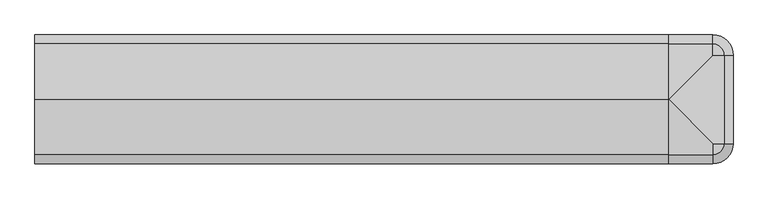
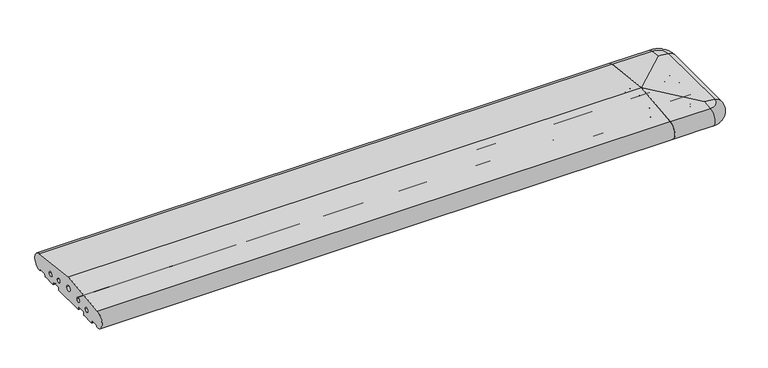
"""IFC4 building model written with IfcOpenShell, lengths in millimetres: proxy geometry."""

from ifc_helpers import new_model, si_unit, point, frame, frame_2d, origin, place, context, project, spatial, polyline, circle_curve, ellipse_curve, trimmed, segment, composite_curve, outline, extrude, source, transform, mapped, element, save
from ifc_brep_helpers import plane_surface, cylinder_surface, revolved_surface, advanced_brep


def generic_models_292004d3(model_context):
    return source(origin(), model_context, "Body", "SolidModel", [
        advanced_brep(
        [(1685.0, 28.0858073, 50.4091909), (1713.0858073, 0.0, 50.4091909), (1711.5981483, 0.0, 2.5074549), (1685.0, 26.5981483, 2.5074549), (1710.7072001, 0.0, 3.0071443), (1685.0, 25.7072001, 3.0071443), (1708.6905989, 0.0, 6.5), (1685.0, 23.6905989, 6.5), (1706.9585481, 0.0, 7.5), (1685.0, 21.9585481, 7.5), (1706.9585481, -220.0, 7.5), (1685.0, -241.9585481, 7.5), (1575.0, -241.9585481, 7.5), (1575.0, -225.4848276, 7.5), (1685.0, -225.4848276, 7.5), (1690.4848276, -220.0, 7.5), (1690.4848276, 0.0, 7.5), (1685.0, 5.4848276, 7.5), (1575.0, 5.4848276, 7.5), (1575.0, 21.9585481, 7.5), (1688.7527767, 0.0, 6.5), (1685.0, 3.7527767, 6.5), (1685.0, 0.0, 0.0), (1685.0, 0.0, 53.7462575), (1575.0, 25.7072001, 3.0071443), (1575.0, 26.5981483, 2.5074549), (1575.0, 23.6905989, 6.5), (1575.0, 3.7527767, 6.5), (1575.0, 0.0, 0.0), (1575.0, 28.0858073, 50.4091909), (1575.0, -35.5, 0.0), (1575.0, -36.5, 1.0), (1575.0, -36.5, 7.0), (1575.0, -38.5, 9.0), (1575.0, -61.5, 9.0), (1575.0, -63.5, 7.0), (1575.0, -63.5, 1.0), (1575.0, -64.5, 0.0), (1575.0, -155.5, 0.0), (1575.0, -156.5, 1.0), (1575.0, -156.5, 7.0), (1575.0, -158.5, 9.0), (1575.0, -181.5, 9.0), (1575.0, -183.5, 7.0), (1575.0, -183.5, 1.0), (1575.0, -184.5, 0.0), (1575.0, -220.0, 0.0), (1575.0, -223.7527767, 6.5), (1575.0, -243.6905989, 6.5), (1575.0, -245.7072001, 3.0071443), (1575.0, -246.5981483, 2.5074549), (1575.0, -248.0858073, 50.4091909), (1575.0, -110.0, 66.8161089), (1575.0, -202.220606, 23.1932995), (1575.0, -190.220606, 23.1932995), (1575.0, -162.5, 27.912776), (1575.0, -150.5, 27.912776), (1575.0, -117.9558517, 33.3783502), (1575.0, -102.0441483, 33.3783502), (1575.0, -69.5, 27.912776), (1575.0, -57.5, 27.912776), (1575.0, -29.779394, 23.1932995), (1575.0, -17.779394, 23.1932995), (1685.0, -35.5, 0.0), (1685.0, -36.5, 1.0), (1685.0, -36.5, 7.0), (1685.0, -38.5, 9.0), (1685.0, -61.5, 9.0), (1685.0, -63.5, 7.0), (1685.0, -63.5, 1.0), (1685.0, -64.5, 0.0), (1685.0, -155.5, 0.0), (1685.0, -156.5, 1.0), (1685.0, -156.5, 7.0), (1685.0, -158.5, 9.0), (1685.0, -181.5, 9.0), (1685.0, -183.5, 7.0), (1685.0, -183.5, 1.0), (1685.0, -184.5, 0.0), (1685.0, -220.0, 0.0), (1685.0, -220.0, 53.7462575), (1685.0, -248.0858073, 50.4091909), (1685.0, -202.220606, 23.1932995), (1685.0, -190.220606, 23.1932995), (1685.0, -162.5, 27.912776), (1685.0, -150.5, 27.912776), (1685.0, -117.9558517, 33.3783502), (1685.0, -102.0441483, 33.3783502), (1685.0, -69.5, 27.912776), (1685.0, -57.5, 27.912776), (1685.0, -29.779394, 23.1932995), (1685.0, -17.779394, 23.1932995), (1713.0858073, -220.0, 50.4091909), (1685.0, -245.7072001, 3.0071443), (1685.0, -246.5981483, 2.5074549), (1685.0, -243.6905989, 6.5), (1685.0, -223.7527767, 6.5), (1711.5981483, -220.0, 2.5074549), (1710.7072001, -220.0, 3.0071443), (1708.6905989, -220.0, 6.5), (1688.7527767, -220.0, 6.5)],
        [
            (0, 1, circle_curve(frame((1685.0, 0.0, 50.4091909), z_axis=(0.0, 0.0, -1.0), x_axis=(1.0, 0.0, 0.0)), 28.0858073)),
            (1, 2, circle_curve(frame((1711.0, 0.0, 26.5), z_axis=(0.0, 1.0, 0.0), x_axis=(0.08690863944627836, 0.0, 0.9962162859487877)), 24.0)),
            (2, 3, circle_curve(frame((1685.0, 0.0, 2.5074549), z_axis=(0.0, 0.0, 1.0), x_axis=(1.0, 0.0, 0.0)), 26.5981483)),
            (3, 0, circle_curve(frame((1685.0, 26.0, 26.5), z_axis=(1.0, 0.0, 0.0), x_axis=(0.0, 0.08690863944627836, 0.9962162859487877)), 24.0)),
            (2, 4, circle_curve(frame((1711.5732255, 0.0, 3.5071443), z_axis=(0.0, 1.0000000000000002, 0.0), x_axis=(0.024922847684081085, 0.0, -0.999689377588517)), 1.0)),
            (4, 5, circle_curve(frame((1685.0, 0.0, 3.0071443), z_axis=(0.0, 0.0, 1.0), x_axis=(1.0, 0.0, 0.0)), 25.7072001)),
            (5, 3, circle_curve(frame((1685.0, 26.5732255, 3.5071443), z_axis=(1.0000000000000002, 0.0, 0.0), x_axis=(0.0, 0.024922847684081085, -0.999689377588517)), 1.0)),
            (4, 6),
            (6, 7, circle_curve(frame((1685.0, 0.0, 6.5), z_axis=(0.0, 0.0, 1.0), x_axis=(1.0, 0.0, 0.0)), 23.6905989)),
            (7, 5),
            (6, 8, circle_curve(frame((1706.9585481, 0.0, 5.5), z_axis=(0.0, -1.0, 0.0), x_axis=(0.8660254037844379, 0.0, 0.5000000000000012)), 2.0)),
            (8, 9, circle_curve(frame((1685.0, 0.0, 7.5), z_axis=(0.0, 0.0, 1.0), x_axis=(1.0, 0.0, 0.0)), 21.9585481)),
            (9, 7, circle_curve(frame((1685.0, 21.9585481, 5.5), z_axis=(-1.0, 0.0, 0.0), x_axis=(0.0, 0.8660254037844379, 0.5000000000000012)), 2.0)),
            (8, 10),
            (10, 11, circle_curve(frame((1685.0, -220.0, 7.5), z_axis=(0.0, 0.0, -1.0), x_axis=(1.0, 0.0, 0.0)), 21.9585481)),
            (11, 12),
            (12, 13),
            (13, 14),
            (14, 15, circle_curve(frame((1685.0, -220.0, 7.5), z_axis=(0.0, 0.0, 1.0), x_axis=(1.0, 0.0, 0.0)), 5.4848276)),
            (15, 16),
            (16, 17, circle_curve(frame((1685.0, 0.0, 7.5), z_axis=(0.0, 0.0, 1.0), x_axis=(1.0, 0.0, 0.0)), 5.4848276)),
            (17, 18),
            (18, 19),
            (19, 9),
            (16, 20, circle_curve(frame((1690.4848276, 0.0, 5.5), z_axis=(0.0, -1.0, 0.0), x_axis=(0.0, 0.0, 1.0)), 2.0)),
            (20, 21, circle_curve(frame((1685.0, 0.0, 6.5), z_axis=(0.0, 0.0, 1.0), x_axis=(1.0, 0.0, 0.0)), 3.7527767)),
            (21, 17, circle_curve(frame((1685.0, 5.4848276, 5.5), z_axis=(-1.0, 0.0, 0.0), x_axis=(0.0, 0.0, 1.0)), 2.0)),
            (20, 22),
            (22, 21),
            (0, 23),
            (23, 1),
            (24, 25, circle_curve(frame((1575.0, 26.5732255, 3.5071443), z_axis=(1.0, 0.0, 0.0), x_axis=(0.0, 0.024922847684081085, -0.999689377588517)), 1.0)),
            (25, 3),
            (5, 24),
            (26, 24),
            (7, 26),
            (19, 26, circle_curve(frame((1575.0, 21.9585481, 5.5), z_axis=(-1.0, 0.0, 0.0), x_axis=(0.0, 0.8660254037844379, 0.5000000000000012)), 2.0)),
            (27, 18, circle_curve(frame((1575.0, 5.4848276, 5.5), z_axis=(-1.0, 0.0, 0.0), x_axis=(0.0, 0.0, 1.0)), 2.0)),
            (21, 27),
            (28, 27),
            (22, 28),
            (25, 29, circle_curve(frame((1575.0, 26.0, 26.5), z_axis=(1.0, 0.0, 0.0), x_axis=(0.0, 0.08690863944627836, 0.9962162859487877)), 24.0)),
            (29, 0),
            (30, 31, circle_curve(frame((1575.0, -35.5, 1.0), z_axis=(-1.0, 0.0, 0.0), x_axis=(0.0, 0.0, -1.0)), 1.0)),
            (31, 32),
            (32, 33, circle_curve(frame((1575.0, -38.5, 7.0), z_axis=(1.0, 0.0, 0.0), x_axis=(0.0, 1.0, 0.0)), 2.0)),
            (33, 34),
            (34, 35, circle_curve(frame((1575.0, -61.5, 7.0), z_axis=(1.0, 0.0, 0.0), x_axis=(0.0, 0.0, 1.0)), 2.0)),
            (35, 36),
            (36, 37, circle_curve(frame((1575.0, -64.5, 1.0), z_axis=(-1.0, 0.0, 0.0), x_axis=(0.0, 1.0, 0.0)), 1.0)),
            (37, 38),
            (38, 39, circle_curve(frame((1575.0, -155.5, 1.0), z_axis=(-1.0, 0.0, 0.0), x_axis=(0.0, -1.0, 0.0)), 1.0)),
            (39, 40),
            (40, 41, circle_curve(frame((1575.0, -158.5, 7.0), z_axis=(1.0, 0.0, 0.0), x_axis=(0.0, 0.0, 1.0)), 2.0)),
            (41, 42),
            (42, 43, circle_curve(frame((1575.0, -181.5, 7.0), z_axis=(1.0, 0.0, 0.0), x_axis=(0.0, -1.0, 0.0)), 2.0)),
            (43, 44),
            (44, 45, circle_curve(frame((1575.0, -184.5, 1.0), z_axis=(-1.0, 0.0, 0.0), x_axis=(0.0, 0.0, -1.0)), 1.0)),
            (45, 46),
            (46, 47),
            (47, 13, circle_curve(frame((1575.0, -225.4848276, 5.5), z_axis=(1.0, 0.0, 0.0), x_axis=(0.0, 0.0, 1.0)), 2.0)),
            (12, 48, circle_curve(frame((1575.0, -241.9585481, 5.5), z_axis=(1.0, 0.0, 0.0), x_axis=(0.0, -0.8660254037844379, 0.5000000000000012)), 2.0)),
            (48, 49),
            (49, 50, circle_curve(frame((1575.0, -246.5732255, 3.5071443), z_axis=(-1.0, 0.0, 0.0), x_axis=(0.0, -0.024922847684081085, -0.999689377588517)), 1.0)),
            (50, 51, circle_curve(frame((1575.0, -246.0, 26.5), z_axis=(-1.0, 0.0, 0.0), x_axis=(0.0, -0.08690863944627836, 0.9962162859487877)), 24.0)),
            (51, 52),
            (52, 29),
            (28, 30),
            (53, 54, circle_curve(frame((1575.0, -196.220606, 23.1932995), z_axis=(1.0, 0.0, 0.0), x_axis=(0.0, 1.0, 0.0)), 6.0)),
            (54, 53, circle_curve(frame((1575.0, -196.220606, 23.1932995), z_axis=(1.0, 0.0, 0.0), x_axis=(0.0, 1.0, 0.0)), 6.0)),
            (55, 56, circle_curve(frame((1575.0, -156.5, 27.912776), z_axis=(1.0, 0.0, 0.0), x_axis=(0.0, 1.0, 0.0)), 6.0)),
            (56, 55, circle_curve(frame((1575.0, -156.5, 27.912776), z_axis=(1.0, 0.0, 0.0), x_axis=(0.0, 1.0, 0.0)), 6.0)),
            (57, 58, circle_curve(frame((1575.0, -110.0, 33.3783502), z_axis=(1.0, 0.0, 0.0), x_axis=(0.0, 1.0, 0.0)), 7.9558517)),
            (58, 57, circle_curve(frame((1575.0, -110.0, 33.3783502), z_axis=(1.0, 0.0, 0.0), x_axis=(0.0, 1.0, 0.0)), 7.9558517)),
            (59, 60, circle_curve(frame((1575.0, -63.5, 27.912776), z_axis=(1.0, 0.0, 0.0), x_axis=(0.0, 1.0, 0.0)), 6.0)),
            (60, 59, circle_curve(frame((1575.0, -63.5, 27.912776), z_axis=(1.0, 0.0, 0.0), x_axis=(0.0, 1.0, 0.0)), 6.0)),
            (61, 62, circle_curve(frame((1575.0, -23.779394, 23.1932995), z_axis=(1.0, 0.0, 0.0), x_axis=(0.0, 1.0, 0.0)), 6.0)),
            (62, 61, circle_curve(frame((1575.0, -23.779394, 23.1932995), z_axis=(1.0, 0.0, 0.0), x_axis=(0.0, 1.0, 0.0)), 6.0)),
            (30, 63),
            (63, 64, circle_curve(frame((1685.0, -35.5, 1.0), z_axis=(-1.0, 0.0, 0.0), x_axis=(0.0, 0.0, -1.0)), 1.0)),
            (64, 31),
            (64, 65),
            (65, 32),
            (65, 66, circle_curve(frame((1685.0, -38.5, 7.0), z_axis=(1.0, 0.0, 0.0), x_axis=(0.0, 1.0, 0.0)), 2.0)),
            (66, 33),
            (66, 67),
            (67, 34),
            (67, 68, circle_curve(frame((1685.0, -61.5, 7.0), z_axis=(1.0, 0.0, 0.0), x_axis=(0.0, 0.0, 1.0)), 2.0)),
            (68, 35),
            (68, 69),
            (69, 36),
            (69, 70, circle_curve(frame((1685.0, -64.5, 1.0), z_axis=(-1.0, 0.0, 0.0), x_axis=(0.0, 1.0, 0.0)), 1.0)),
            (70, 37),
            (70, 71),
            (71, 38),
            (71, 72, circle_curve(frame((1685.0, -155.5, 1.0), z_axis=(-1.0, 0.0, 0.0), x_axis=(0.0, -1.0, 0.0)), 1.0)),
            (72, 39),
            (72, 73),
            (73, 40),
            (73, 74, circle_curve(frame((1685.0, -158.5, 7.0), z_axis=(1.0, 0.0, 0.0), x_axis=(0.0, 0.0, 1.0)), 2.0)),
            (74, 41),
            (74, 75),
            (75, 42),
            (75, 76, circle_curve(frame((1685.0, -181.5, 7.0), z_axis=(1.0, 0.0, 0.0), x_axis=(0.0, -1.0, 0.0)), 2.0)),
            (76, 43),
            (76, 77),
            (77, 44),
            (77, 78, circle_curve(frame((1685.0, -184.5, 1.0), z_axis=(-1.0, 0.0, 0.0), x_axis=(0.0, 0.0, -1.0)), 1.0)),
            (78, 45),
            (78, 79),
            (79, 46),
            (80, 52),
            (51, 81),
            (81, 80),
            (52, 23),
            (22, 63),
            (53, 82),
            (82, 83, circle_curve(frame((1685.0, -196.220606, 23.1932995), z_axis=(1.0, 0.0, 0.0), x_axis=(0.0, 1.0, 0.0)), 6.0)),
            (83, 54),
            (83, 82, circle_curve(frame((1685.0, -196.220606, 23.1932995), z_axis=(1.0, 0.0, 0.0), x_axis=(0.0, 1.0, 0.0)), 6.0)),
            (55, 84),
            (84, 85, circle_curve(frame((1685.0, -156.5, 27.912776), z_axis=(1.0, 0.0, 0.0), x_axis=(0.0, 1.0, 0.0)), 6.0)),
            (85, 56),
            (85, 84, circle_curve(frame((1685.0, -156.5, 27.912776), z_axis=(1.0, 0.0, 0.0), x_axis=(0.0, 1.0, 0.0)), 6.0)),
            (57, 86),
            (86, 87, circle_curve(frame((1685.0, -110.0, 33.3783502), z_axis=(1.0, 0.0, 0.0), x_axis=(0.0, 1.0, 0.0)), 7.9558517)),
            (87, 58),
            (87, 86, circle_curve(frame((1685.0, -110.0, 33.3783502), z_axis=(1.0, 0.0, 0.0), x_axis=(0.0, 1.0, 0.0)), 7.9558517)),
            (59, 88),
            (88, 89, circle_curve(frame((1685.0, -63.5, 27.912776), z_axis=(1.0, 0.0, 0.0), x_axis=(0.0, 1.0, 0.0)), 6.0)),
            (89, 60),
            (89, 88, circle_curve(frame((1685.0, -63.5, 27.912776), z_axis=(1.0, 0.0, 0.0), x_axis=(0.0, 1.0, 0.0)), 6.0)),
            (61, 90),
            (90, 91, circle_curve(frame((1685.0, -23.779394, 23.1932995), z_axis=(1.0, 0.0, 0.0), x_axis=(0.0, 1.0, 0.0)), 6.0)),
            (91, 62),
            (91, 90, circle_curve(frame((1685.0, -23.779394, 23.1932995), z_axis=(1.0, 0.0, 0.0), x_axis=(0.0, 1.0, 0.0)), 6.0)),
            (80, 92),
            (92, 1),
            (49, 93),
            (93, 94, circle_curve(frame((1685.0, -246.5732255, 3.5071443), z_axis=(-1.0, 0.0, 0.0), x_axis=(0.0, -0.024922847684081085, -0.999689377588517)), 1.0)),
            (94, 50),
            (48, 95),
            (95, 93),
            (11, 95, circle_curve(frame((1685.0, -241.9585481, 5.5), z_axis=(1.0, 0.0, 0.0), x_axis=(0.0, -0.8660254037844379, 0.5000000000000012)), 2.0)),
            (47, 96),
            (96, 14, circle_curve(frame((1685.0, -225.4848276, 5.5), z_axis=(1.0, 0.0, 0.0), x_axis=(0.0, 0.0, 1.0)), 2.0)),
            (79, 96),
            (94, 81, circle_curve(frame((1685.0, -246.0, 26.5), z_axis=(-1.0, 0.0, 0.0), x_axis=(0.0, -0.08690863944627836, 0.9962162859487877)), 24.0)),
            (2, 97),
            (97, 98, circle_curve(frame((1711.5732255, -220.0, 3.5071443), z_axis=(0.0, 1.0, 0.0), x_axis=(0.024922847684081085, 0.0, -0.999689377588517)), 1.0)),
            (98, 4),
            (98, 99),
            (99, 6),
            (99, 10, circle_curve(frame((1706.9585481, -220.0, 5.5), z_axis=(0.0, -1.0, 0.0), x_axis=(0.8660254037844379, 0.0, 0.5000000000000012)), 2.0)),
            (15, 100, circle_curve(frame((1690.4848276, -220.0, 5.5), z_axis=(0.0, -1.0, 0.0), x_axis=(0.0, 0.0, 1.0)), 2.0)),
            (100, 20),
            (100, 79),
            (78, 71),
            (70, 63),
            (92, 97, circle_curve(frame((1711.0, -220.0, 26.5), z_axis=(0.0, 1.0, 0.0), x_axis=(0.08690863944627836, 0.0, 0.9962162859487877)), 24.0)),
            (100, 96, circle_curve(frame((1685.0, -220.0, 6.5), z_axis=(0.0, 0.0, -1.0), x_axis=(1.0, 0.0, 0.0)), 3.7527767)),
            (99, 95, circle_curve(frame((1685.0, -220.0, 6.5), z_axis=(0.0, 0.0, -1.0), x_axis=(1.0, 0.0, 0.0)), 23.6905989)),
            (98, 93, circle_curve(frame((1685.0, -220.0, 3.0071443), z_axis=(0.0, 0.0, -1.0), x_axis=(1.0, 0.0, 0.0)), 25.7072001)),
            (97, 94, circle_curve(frame((1685.0, -220.0, 2.5074549), z_axis=(0.0, 0.0, -1.0), x_axis=(1.0, 0.0, 0.0)), 26.5981483)),
            (92, 81, circle_curve(frame((1685.0, -220.0, 50.4091909), z_axis=(0.0, 0.0, -1.0), x_axis=(1.0, 0.0, 0.0)), 28.0858073)),
        ],
        [
            revolved_surface(trimmed(ellipse_curve(frame((1711.0, 0.0, 26.5), z_axis=(0.0, 1.0, 0.0), x_axis=(0.08690863944627836, 0.0, 0.9962162859487877)), 24.0, 24.0), [point((1713.0858073, 0.0, 50.4091909))], [point((1711.5981483, 0.0, 2.5074549))], True, "CARTESIAN"), (1685.0, 0.0, 53.7462575), (0.0, 0.0, -1.0)),
            revolved_surface(trimmed(ellipse_curve(frame((1711.5732255, 0.0, 3.5071443), z_axis=(0.0, 1.0000000000000002, 0.0), x_axis=(0.024922847684081085, 0.0, -0.999689377588517)), 1.0, 1.0), [point((1711.5981483, 0.0, 2.5074549))], [point((1710.7072001, 0.0, 3.0071443))], True, "CARTESIAN"), (1685.0, 0.0, 53.7462575), (0.0, 0.0, -1.0)),
            revolved_surface(polyline([(1710.7072001, 0.0, 3.0071443), (1708.6905989, 0.0, 6.5)]), (1685.0, 0.0, 53.7462575), (0.0, 0.0, -1.0)),
            revolved_surface(trimmed(ellipse_curve(frame((1706.9585481, 0.0, 5.5), z_axis=(0.0, -1.0, 0.0), x_axis=(0.8660254037844379, 0.0, 0.5000000000000012)), 2.0, 2.0), [point((1708.6905989, 0.0, 6.5))], [point((1706.9585481, 0.0, 7.5))], True, "CARTESIAN"), (1685.0, 0.0, 53.7462575), (0.0, 0.0, -1.0)),
            plane_surface(frame((1685.0, 0.0, 7.5), z_axis=(0.0, 0.0, -1.0), x_axis=(1.0, 0.0, 0.0))),
            revolved_surface(trimmed(ellipse_curve(frame((1690.4848276, 0.0, 5.5), z_axis=(0.0, -1.0, 0.0), x_axis=(0.0, 0.0, 1.0)), 2.0, 2.0), [point((1690.4848276, 0.0, 7.5))], [point((1688.7527767, 0.0, 6.5))], True, "CARTESIAN"), (1685.0, 0.0, 53.7462575), (0.0, 0.0, -1.0)),
            revolved_surface(polyline([(1688.7527767, 0.0, 6.5), (1685.0, 0.0, 0.0)]), (1685.0, 0.0, 53.7462575), (0.0, 0.0, -1.0)),
            revolved_surface(polyline([(1685.0, 0.0, 53.7462575), (1713.0858073, 0.0, 50.4091909)]), (1685.0, 0.0, 53.7462575), (0.0, 0.0, -1.0)),
            cylinder_surface(frame((1575.0, 26.5732255, 3.5071443), z_axis=(-1.0000000000000002, 0.0, 0.0), x_axis=(0.0, 0.024922847684081085, -0.999689377588517)), 1.0),
            plane_surface(frame((1575.0, 25.7072001, 3.0071443), z_axis=(0.0, -0.8660254037844368, -0.5000000000000032), x_axis=(1.0, 0.0, 0.0))),
            revolved_surface(polyline([(1685.0, 23.690598907568877, 6.500000000000003), (1575.0, 23.690598907568877, 6.500000000000003)]), (1575.0, 21.9585481, 5.5), (1.0, 0.0, 0.0)),
            revolved_surface(polyline([(1685.0, 5.4848276, 7.5), (1575.0, 5.4848276, 7.5)]), (1575.0, 5.4848276, 5.5), (1.0, 0.0, 0.0)),
            plane_surface(frame((1575.0, 3.7527767, 6.5), z_axis=(0.0, 0.8660254037844349, -0.5000000000000064), x_axis=(1.0, 0.0, 0.0))),
            cylinder_surface(frame((1575.0, 26.0, 26.5), z_axis=(-1.0, 0.0, 0.0), x_axis=(0.0, 0.08690863944627836, 0.9962162859487877)), 24.0),
            plane_surface(frame((1575.0, 0.0, 0.0), z_axis=(-1.0, 0.0, 0.0), x_axis=(0.0, 0.0, 1.0))),
            cylinder_surface(frame((1575.0, -35.5, 1.0), z_axis=(-1.0, 0.0, 0.0), x_axis=(0.0, 0.0, -1.0)), 1.0),
            plane_surface(frame((1575.0, -36.5, 1.0), z_axis=(0.0, -1.0, 0.0), x_axis=(1.0, 0.0, 0.0))),
            revolved_surface(polyline([(1685.0, -36.5, 7.0), (1575.0, -36.5, 7.0)]), (1575.0, -38.5, 7.0), (1.0, 0.0, 0.0)),
            plane_surface(frame((1575.0, -38.5, 9.0), z_axis=(0.0, 0.0, -1.0), x_axis=(1.0, 0.0, 0.0))),
            revolved_surface(polyline([(1685.0, -61.5, 9.0), (1575.0, -61.5, 9.0)]), (1575.0, -61.5, 7.0), (1.0, 0.0, 0.0)),
            plane_surface(frame((1575.0, -63.5, 7.0), z_axis=(0.0, 1.0, 0.0), x_axis=(1.0, 0.0, 0.0))),
            cylinder_surface(frame((1575.0, -64.5, 1.0), z_axis=(-1.0, 0.0, 0.0), x_axis=(0.0, 1.0, 0.0)), 1.0),
            plane_surface(frame((1575.0, -64.5, 0.0), z_axis=(0.0, 0.0, -1.0), x_axis=(1.0, 0.0, 0.0))),
            cylinder_surface(frame((1575.0, -155.5, 1.0), z_axis=(-1.0, 0.0, 0.0), x_axis=(0.0, -1.0, 0.0)), 1.0),
            plane_surface(frame((1575.0, -156.5, 1.0), z_axis=(0.0, -1.0, 0.0), x_axis=(1.0, 0.0, 0.0))),
            revolved_surface(polyline([(1685.0, -158.5, 9.0), (1575.0, -158.5, 9.0)]), (1575.0, -158.5, 7.0), (1.0, 0.0, 0.0)),
            plane_surface(frame((1575.0, -158.5, 9.0), z_axis=(0.0, 0.0, -1.0), x_axis=(1.0, 0.0, 0.0))),
            revolved_surface(polyline([(1685.0, -183.5, 7.0), (1575.0, -183.5, 7.0)]), (1575.0, -181.5, 7.0), (1.0, 0.0, 0.0)),
            plane_surface(frame((1575.0, -183.5, 7.0), z_axis=(0.0, 1.0, 0.0), x_axis=(1.0, 0.0, 0.0))),
            cylinder_surface(frame((1575.0, -184.5, 1.0), z_axis=(-1.0, 0.0, 0.0), x_axis=(0.0, 0.0, -1.0)), 1.0),
            plane_surface(frame((1575.0, -184.5, 0.0), z_axis=(0.0, 0.0, -1.0), x_axis=(1.0, 0.0, 0.0))),
            plane_surface(frame((1575.0, -220.0, 53.7462575), z_axis=(0.0, -0.11798691299107526, 0.9930151501174777), x_axis=(1.0, 0.0, 0.0))),
            plane_surface(frame((1575.0, -110.0, 66.8161089), z_axis=(0.0, 0.11798691299107526, 0.9930151501174777), x_axis=(1.0, 0.0, 0.0))),
            plane_surface(frame((1575.0, 0.0, 0.0), z_axis=(0.0, 0.0, -1.0), x_axis=(1.0, 0.0, 0.0))),
            revolved_surface(polyline([(1685.0, -190.220606, 23.1932995), (1575.0, -190.220606, 23.1932995)]), (1575.0, -196.220606, 23.1932995), (1.0, 0.0, 0.0)),
            revolved_surface(polyline([(1685.0, -150.5, 27.912776), (1575.0, -150.5, 27.912776)]), (1575.0, -156.5, 27.912776), (1.0, 0.0, 0.0)),
            revolved_surface(polyline([(1685.0, -102.0441483, 33.3783502), (1575.0, -102.0441483, 33.3783502)]), (1575.0, -110.0, 33.3783502), (1.0, 0.0, 0.0)),
            revolved_surface(polyline([(1685.0, -57.5, 27.912776), (1575.0, -57.5, 27.912776)]), (1575.0, -63.5, 27.912776), (1.0, 0.0, 0.0)),
            revolved_surface(polyline([(1685.0, -17.779394, 23.1932995), (1575.0, -17.779394, 23.1932995)]), (1575.0, -23.779394, 23.1932995), (1.0, 0.0, 0.0)),
            plane_surface(frame((1575.0, -250.0, 66.8161089), z_axis=(0.11798691299108029, 0.0, 0.993015150117477), x_axis=(0.0, 1.0, 0.0))),
            cylinder_surface(frame((1575.0, -246.5732255, 3.5071443), z_axis=(-1.0000000000000002, 0.0, 0.0), x_axis=(0.0, -0.024922847684081085, -0.999689377588517)), 1.0),
            plane_surface(frame((1575.0, -243.6905989, 6.5), z_axis=(0.0, 0.8660254037844368, -0.5000000000000032), x_axis=(1.0, 0.0, 0.0))),
            revolved_surface(polyline([(1685.0, -243.69059890756887, 6.500000000000003), (1575.0, -243.69059890756887, 6.500000000000003)]), (1575.0, -241.9585481, 5.5), (1.0, 0.0, 0.0)),
            revolved_surface(polyline([(1685.0, -225.4848276, 7.5), (1575.0, -225.4848276, 7.5)]), (1575.0, -225.4848276, 5.5), (1.0, 0.0, 0.0)),
            plane_surface(frame((1575.0, -220.0, 0.0), z_axis=(0.0, -0.8660254037844349, -0.5000000000000064), x_axis=(1.0, 0.0, 0.0))),
            cylinder_surface(frame((1575.0, -246.0, 26.5), z_axis=(-1.0, 0.0, 0.0), x_axis=(0.0, -0.08690863944627836, 0.9962162859487877)), 24.0),
            cylinder_surface(frame((1711.5732255, 0.0, 3.5071443), z_axis=(0.0, 1.0000000000000002, 0.0), x_axis=(0.024922847684081085, 0.0, -0.999689377588517)), 1.0),
            plane_surface(frame((1710.7072001, 0.0, 3.0071443), z_axis=(-0.8660254037844368, 0.0, -0.5000000000000032), x_axis=(0.0, -1.0, 0.0))),
            revolved_surface(polyline([(1708.6905989075688, -220.0, 6.500000000000003), (1708.6905989075688, 0.0, 6.500000000000003)]), (1706.9585481, 0.0, 5.5), (0.0, -1.0, 0.0)),
            revolved_surface(polyline([(1690.4848276, -220.0, 7.5), (1690.4848276, 0.0, 7.5)]), (1690.4848276, 0.0, 5.5), (0.0, -1.0, 0.0)),
            plane_surface(frame((1688.7527767, 0.0, 6.5), z_axis=(0.8660254037844349, 0.0, -0.5000000000000064), x_axis=(0.0, -1.0, 0.0))),
            plane_surface(frame((1685.0, 0.0, 0.0), z_axis=(-1.0, 0.0, 0.0), x_axis=(0.0, -1.0, 0.0))),
            cylinder_surface(frame((1711.0, 0.0, 26.5), z_axis=(0.0, 1.0, 0.0), x_axis=(0.08690863944627836, 0.0, 0.9962162859487877)), 24.0),
            revolved_surface(polyline([(1685.0, -220.0, 0.0), (1688.7527767, -220.0, 6.5)]), (1685.0, -220.0, 12.5), (0.0, 0.0, 1.0)),
            revolved_surface(trimmed(ellipse_curve(frame((1690.4848276, -220.0, 5.5), z_axis=(0.0, 1.0, 0.0), x_axis=(0.0, 0.0, 1.0)), 2.0, 2.0), [point((1688.7527767, -220.0, 6.5))], [point((1690.4848276, -220.0, 7.5))], True, "CARTESIAN"), (1685.0, -220.0, 12.5), (0.0, 0.0, 1.0)),
            revolved_surface(trimmed(ellipse_curve(frame((1706.9585481, -220.0, 5.5), z_axis=(0.0, 1.0, 0.0), x_axis=(0.8660254037844379, 0.0, 0.5000000000000012)), 2.0, 2.0), [point((1706.9585481, -220.0, 7.5))], [point((1708.6905989, -220.0, 6.5))], True, "CARTESIAN"), (1685.0, -220.0, 12.5), (0.0, 0.0, 1.0)),
            revolved_surface(polyline([(1708.6905989, -220.0, 6.5), (1710.7072001, -220.0, 3.0071443)]), (1685.0, -220.0, 12.5), (0.0, 0.0, 1.0)),
            revolved_surface(trimmed(ellipse_curve(frame((1711.5732255, -220.0, 3.5071443), z_axis=(0.0, -1.0000000000000002, 0.0), x_axis=(0.024922847684081085, 0.0, -0.999689377588517)), 1.0, 1.0), [point((1710.7072001, -220.0, 3.0071443))], [point((1711.5981483, -220.0, 2.5074549))], True, "CARTESIAN"), (1685.0, -220.0, 12.5), (0.0, 0.0, 1.0)),
            revolved_surface(trimmed(ellipse_curve(frame((1711.0, -220.0, 26.5), z_axis=(0.0, -1.0, 0.0), x_axis=(0.08690863944627836, 0.0, 0.9962162859487877)), 24.0, 24.0), [point((1711.5981483, -220.0, 2.5074549))], [point((1713.0858073, -220.0, 50.4091909))], True, "CARTESIAN"), (1685.0, -220.0, 12.5), (0.0, 0.0, 1.0)),
            revolved_surface(polyline([(1713.0858073, -220.0, 50.4091909), (1685.0, -220.0, 53.7462575)]), (1685.0, -220.0, 12.5), (0.0, 0.0, 1.0)),
        ],
        [
            (0, [[1, 2, 3, 4]]),
            (1, [[-3, 5, 6, 7]]),
            (2, [[-6, 8, 9, 10]]),
            (3, [[-9, 11, 12, 13]]),
            (4, [[-12, 14, 15, 16, 17, 18, 19, 20, 21, 22, 23, 24]]),
            (5, [[-21, 25, 26, 27]]),
            (6, [[-26, 28, 29]]),
            (7, [[-1, 30, 31]]),
            (8, [[32, 33, -7, 34]]),
            (9, [[35, -34, -10, 36]]),
            (10, [[37, -36, -13, -24]]),
            (11, [[38, -22, -27, 39]]),
            (12, [[40, -39, -29, 41]]),
            (13, [[42, 43, -4, -33]]),
            (14, [[44, 45, 46, 47, 48, 49, 50, 51, 52, 53, 54, 55, 56, 57, 58, 59, 60, 61, -17, 62, 63, 64, 65, 66, 67, -42, -32, -35, -37, -23, -38, -40, 68], [69, 70], [71, 72], [73, 74], [75, 76], [77, 78]]),
            (15, [[-44, 79, 80, 81]]),
            (16, [[-45, -81, 82, 83]]),
            (17, [[-46, -83, 84, 85]]),
            (18, [[-47, -85, 86, 87]]),
            (19, [[-48, -87, 88, 89]]),
            (20, [[-49, -89, 90, 91]]),
            (21, [[-50, -91, 92, 93]]),
            (22, [[-51, -93, 94, 95]]),
            (23, [[-52, -95, 96, 97]]),
            (24, [[-53, -97, 98, 99]]),
            (25, [[-54, -99, 100, 101]]),
            (26, [[-55, -101, 102, 103]]),
            (27, [[-56, -103, 104, 105]]),
            (28, [[-57, -105, 106, 107]]),
            (29, [[-58, -107, 108, 109]]),
            (30, [[-59, -109, 110, 111]]),
            (31, [[112, -66, 113, 114]]),
            (32, [[115, -30, -43, -67]]),
            (33, [[-68, -41, 116, -79]]),
            (34, [[-69, 117, 118, 119]]),
            (34, [[-70, -119, 120, -117]]),
            (35, [[-71, 121, 122, 123]]),
            (35, [[-72, -123, 124, -121]]),
            (36, [[-73, 125, 126, 127]]),
            (36, [[-74, -127, 128, -125]]),
            (37, [[-75, 129, 130, 131]]),
            (37, [[-76, -131, 132, -129]]),
            (38, [[-77, 133, 134, 135]]),
            (38, [[-78, -135, 136, -133]]),
            (39, [[-112, 137, 138, -31, -115]]),
            (40, [[-64, 139, 140, 141]]),
            (41, [[-63, 142, 143, -139]]),
            (42, [[-62, -16, 144, -142]]),
            (43, [[-61, 145, 146, -18]]),
            (44, [[-60, -111, 147, -145]]),
            (45, [[-65, -141, 148, -113]]),
            (46, [[149, 150, 151, -5]]),
            (47, [[-151, 152, 153, -8]]),
            (48, [[-153, 154, -14, -11]]),
            (49, [[-20, 155, 156, -25]]),
            (50, [[-156, 157, -110, 158, -94, 159, -116, -28]]),
            (51, [[-118, -120]]),
            (51, [[-122, -124]]),
            (51, [[-126, -128]]),
            (51, [[-130, -132]]),
            (51, [[-134, -136]]),
            (51, [[-158, -108, -106, -104, -102, -100, -98, -96]]),
            (51, [[-159, -92, -90, -88, -86, -84, -82, -80]]),
            (52, [[-149, -2, -138, 160]]),
            (53, [[161, -147, -157]]),
            (54, [[-161, -155, -19, -146]]),
            (55, [[-15, -154, 162, -144]]),
            (56, [[-162, -152, 163, -143]]),
            (57, [[-163, -150, 164, -140]]),
            (58, [[-164, -160, 165, -148]]),
            (59, [[-165, -137, -114]]),
        ],
    ),
        extrude(outline(composite_curve([segment(trimmed(circle_curve(frame_2d((26.5732255, 3.5071443)), 1.0), [point((26.5981483, 2.5074549))], [point((25.7072001, 3.0071443))], False, "CARTESIAN"), True, "CONTINUOUS"), segment(polyline([(25.7072001, 3.0071443), (23.6905989, 6.5)]), True, "CONTINUOUS"), segment(trimmed(circle_curve(frame_2d((21.9585481, 5.5)), 2.0), [point((23.6905989, 6.5))], [point((21.9585481, 7.5))], True, "CARTESIAN"), True, "CONTINUOUS"), segment(polyline([(21.9585481, 7.5), (5.4848276, 7.5)]), True, "CONTINUOUS"), segment(trimmed(circle_curve(frame_2d((5.4848276, 5.5)), 2.0), [point((5.4848276, 7.5))], [point((3.7527767, 6.5))], True, "CARTESIAN"), True, "CONTINUOUS"), segment(polyline([(3.7527767, 6.5), (0.2886751, 0.5)]), True, "CONTINUOUS"), segment(trimmed(circle_curve(frame_2d((-0.5773503, 1.0)), 1.0), [point((0.2886751, 0.5))], [point((-0.5773503, 0.0))], False, "CARTESIAN"), True, "CONTINUOUS"), segment(polyline([(-0.5773503, 0.0), (-35.5, 0.0)]), True, "CONTINUOUS"), segment(trimmed(circle_curve(frame_2d((-35.5, 1.0)), 1.0), [point((-35.5, 0.0))], [point((-36.5, 1.0))], False, "CARTESIAN"), True, "CONTINUOUS"), segment(polyline([(-36.5, 1.0), (-36.5, 7.0)]), True, "CONTINUOUS"), segment(trimmed(circle_curve(frame_2d((-38.5, 7.0)), 2.0), [point((-36.5, 7.0))], [point((-38.5, 9.0))], True, "CARTESIAN"), True, "CONTINUOUS"), segment(polyline([(-38.5, 9.0), (-61.5, 9.0)]), True, "CONTINUOUS"), segment(trimmed(circle_curve(frame_2d((-61.5, 7.0)), 2.0), [point((-61.5, 9.0))], [point((-63.5, 7.0))], True, "CARTESIAN"), True, "CONTINUOUS"), segment(polyline([(-63.5, 7.0), (-63.5, 1.0)]), True, "CONTINUOUS"), segment(trimmed(circle_curve(frame_2d((-64.5, 1.0)), 1.0), [point((-63.5, 1.0))], [point((-64.5, 0.0))], False, "CARTESIAN"), True, "CONTINUOUS"), segment(polyline([(-64.5, 0.0), (-155.5, 0.0)]), True, "CONTINUOUS"), segment(trimmed(circle_curve(frame_2d((-155.5, 1.0)), 1.0), [point((-155.5, 0.0))], [point((-156.5, 1.0))], False, "CARTESIAN"), True, "CONTINUOUS"), segment(polyline([(-156.5, 1.0), (-156.5, 7.0)]), True, "CONTINUOUS"), segment(trimmed(circle_curve(frame_2d((-158.5, 7.0)), 2.0), [point((-156.5, 7.0))], [point((-158.5, 9.0))], True, "CARTESIAN"), True, "CONTINUOUS"), segment(polyline([(-158.5, 9.0), (-181.5, 9.0)]), True, "CONTINUOUS"), segment(trimmed(circle_curve(frame_2d((-181.5, 7.0)), 2.0), [point((-181.5, 9.0))], [point((-183.5, 7.0))], True, "CARTESIAN"), True, "CONTINUOUS"), segment(polyline([(-183.5, 7.0), (-183.5, 1.0)]), True, "CONTINUOUS"), segment(trimmed(circle_curve(frame_2d((-184.5, 1.0)), 1.0), [point((-183.5, 1.0))], [point((-184.5, 0.0))], False, "CARTESIAN"), True, "CONTINUOUS"), segment(polyline([(-184.5, 0.0), (-219.4226497, 0.0)]), True, "CONTINUOUS"), segment(trimmed(circle_curve(frame_2d((-219.4226497, 1.0)), 1.0), [point((-219.4226497, 0.0))], [point((-220.2886751, 0.5))], False, "CARTESIAN"), True, "CONTINUOUS"), segment(polyline([(-220.2886751, 0.5), (-223.7527767, 6.5)]), True, "CONTINUOUS"), segment(trimmed(circle_curve(frame_2d((-225.4848276, 5.5)), 2.0), [point((-223.7527767, 6.5))], [point((-225.4848276, 7.5))], True, "CARTESIAN"), True, "CONTINUOUS"), segment(polyline([(-225.4848276, 7.5), (-241.9585481, 7.5)]), True, "CONTINUOUS"), segment(trimmed(circle_curve(frame_2d((-241.9585481, 5.5)), 2.0), [point((-241.9585481, 7.5))], [point((-243.6905989, 6.5))], True, "CARTESIAN"), True, "CONTINUOUS"), segment(polyline([(-243.6905989, 6.5), (-245.7072001, 3.0071443)]), True, "CONTINUOUS"), segment(trimmed(circle_curve(frame_2d((-246.5732255, 3.5071443)), 1.0), [point((-245.7072001, 3.0071443))], [point((-246.5981483, 2.5074549))], False, "CARTESIAN"), True, "CONTINUOUS"), segment(trimmed(circle_curve(frame_2d((-246.0, 26.5)), 24.0), [point((-246.5981483, 2.5074549))], [point((-248.0858073, 50.4091909))], False, "CARTESIAN"), True, "CONTINUOUS"), segment(polyline([(-248.0858073, 50.4091909), (-110.0, 66.8161089), (28.0858073, 50.4091909)]), True, "CONTINUOUS"), segment(trimmed(circle_curve(frame_2d((26.0, 26.5)), 24.0), [point((28.0858073, 50.4091909))], [point((26.5981483, 2.5074549))], False, "CARTESIAN"), True, "CONTINUOUS")], self_intersect=False), holes=[composite_curve([segment(trimmed(circle_curve(frame_2d((-196.220606, 23.1932995)), 6.0), [point((-202.220606, 23.1932995))], [point((-190.220606, 23.1932995))], True, "CARTESIAN"), True, "CONTINUOUS"), segment(trimmed(circle_curve(frame_2d((-196.220606, 23.1932995)), 6.0), [point((-190.220606, 23.1932995))], [point((-202.220606, 23.1932995))], True, "CARTESIAN"), True, "CONTINUOUS")], self_intersect=False), composite_curve([segment(trimmed(circle_curve(frame_2d((-110.0, 33.3783502)), 7.9558517), [point((-117.9558517, 33.3783502))], [point((-102.0441483, 33.3783502))], True, "CARTESIAN"), True, "CONTINUOUS"), segment(trimmed(circle_curve(frame_2d((-110.0, 33.3783502)), 7.9558517), [point((-102.0441483, 33.3783502))], [point((-117.9558517, 33.3783502))], True, "CARTESIAN"), True, "CONTINUOUS")], self_intersect=False), composite_curve([segment(trimmed(circle_curve(frame_2d((-63.5, 27.912776)), 6.0), [point((-69.5, 27.912776))], [point((-57.5, 27.912776))], True, "CARTESIAN"), True, "CONTINUOUS"), segment(trimmed(circle_curve(frame_2d((-63.5, 27.912776)), 6.0), [point((-57.5, 27.912776))], [point((-69.5, 27.912776))], True, "CARTESIAN"), True, "CONTINUOUS")], self_intersect=False), composite_curve([segment(trimmed(circle_curve(frame_2d((-23.779394, 23.1932995)), 6.0), [point((-29.779394, 23.1932995))], [point((-17.779394, 23.1932995))], True, "CARTESIAN"), True, "CONTINUOUS"), segment(trimmed(circle_curve(frame_2d((-23.779394, 23.1932995)), 6.0), [point((-17.779394, 23.1932995))], [point((-29.779394, 23.1932995))], True, "CARTESIAN"), True, "CONTINUOUS")], self_intersect=False), composite_curve([segment(trimmed(circle_curve(frame_2d((-156.5, 27.912776)), 6.0), [point((-162.5, 27.912776))], [point((-150.5, 27.912776))], True, "CARTESIAN"), True, "CONTINUOUS"), segment(trimmed(circle_curve(frame_2d((-156.5, 27.912776)), 6.0), [point((-150.5, 27.912776))], [point((-162.5, 27.912776))], True, "CARTESIAN"), True, "CONTINUOUS")], self_intersect=False)]), frame((0.0, 0.0, 0.0), z_axis=(1.0, 0.0, 0.0), x_axis=(0.0, 1.0, 0.0)), (0.0, 0.0, 1.0), 1575.0),
    ])


if __name__ == "__main__":
    model = new_model("IFC4")
    model_context = context("Model", 3, world=origin())
    ifc_project = project(units=[si_unit("LENGTHUNIT", "METRE", prefix="MILLI")], contexts=[model_context])
    site = spatial("IfcSite", under=ifc_project)
    building = spatial("IfcBuilding", under=site)
    placement = place(None, origin())
    generic_models_shape = generic_models_292004d3(model_context)
    element("IfcBuildingElementProxy", 1, Name="Generic Models", at=placement, inside=building, context=model_context, shape_type="MappedRepresentation", body=[
        mapped(generic_models_shape, transform((0.0, 0.0, 0.0), x_axis=(1.0, 0.0, 0.0), y_axis=(0.0, 1.0, 0.0), z_axis=(0.0, 0.0, 1.0))),
    ])
    save(model, "model.ifc")
